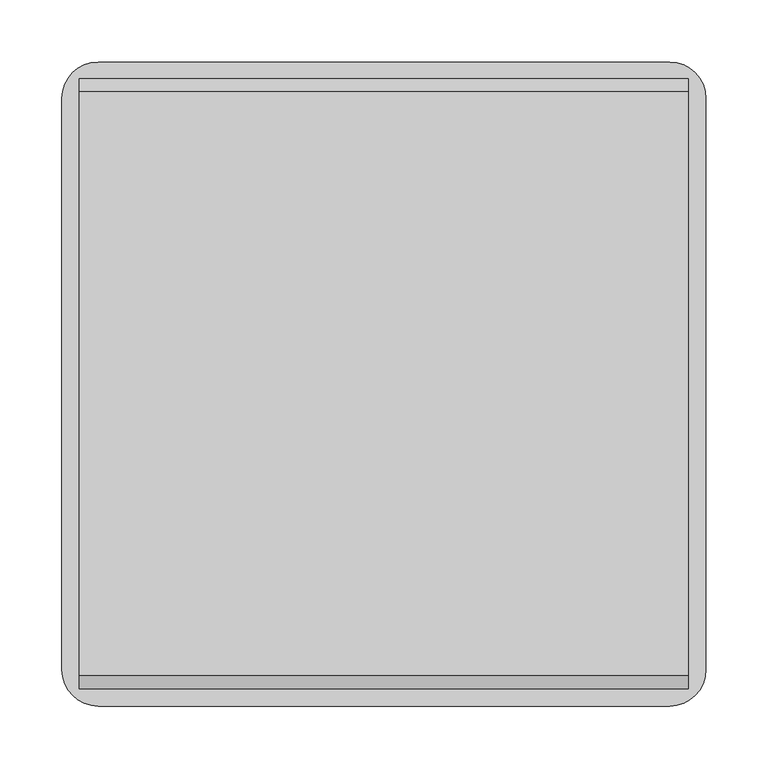
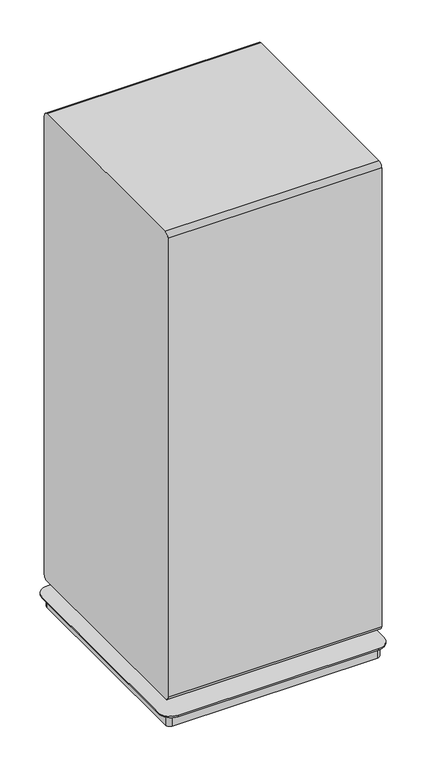
"""IFC4 building model written with IfcOpenShell, lengths in millimetres: furniture geometry."""

from ifc_helpers import new_model, si_unit, point, frame, frame_2d, origin, place, context, project, spatial, polyline, circle_curve, trimmed, segment, composite_curve, outline, extrude, source, transform, mapped, element, save
from ifc_brep_helpers import plane_surface, cylinder_surface, advanced_brep


def furniture_d5c56f62(model_context):
    return source(origin(), model_context, "Body", "SolidModel", [
        extrude(outline(composite_curve([segment(polyline([(290.6410876, 1189.3723963), (290.6410876, 73.6296543)]), True, "CONTINUOUS"), segment(trimmed(circle_curve(frame_2d((281.0114376, 73.6296543)), 9.62965), [point((290.6410876, 73.6296543))], [point((281.0114376, 64.0000043))], False, "CARTESIAN"), True, "CONTINUOUS"), segment(polyline([(281.0114376, 64.0000043), (-192.1114376, 64.0000043)]), True, "CONTINUOUS"), segment(trimmed(circle_curve(frame_2d((-192.1114376, 73.6296543)), 9.62965), [point((-192.1114376, 64.0000043))], [point((-201.7410876, 73.6296543))], False, "CARTESIAN"), True, "CONTINUOUS"), segment(polyline([(-201.7410876, 73.6296543), (-201.7410876, 1189.3723963)]), True, "CONTINUOUS"), segment(trimmed(circle_curve(frame_2d((-191.2611401, 1189.3723963)), 10.4799474), [point((-201.7410876, 1189.3723963))], [point((-191.2611401, 1199.8523437))], False, "CARTESIAN"), True, "CONTINUOUS"), segment(polyline([(-191.2611401, 1199.8523437), (280.1611401, 1199.8523437)]), True, "CONTINUOUS"), segment(trimmed(circle_curve(frame_2d((280.1611401, 1189.3723963)), 10.4799474), [point((280.1611401, 1199.8523437))], [point((290.6410876, 1189.3723963))], False, "CARTESIAN"), True, "CONTINUOUS")], self_intersect=False)), frame((574.621703, 0.0, 0.0), z_axis=(1.0, 0.0, 0.0), x_axis=(0.0, 1.0, 0.0)), (0.0, 0.0, 1.0), 491.9054206),
        advanced_brep(
        [(1051.3572258, 304.403125, 33.0000002), (589.7738875, 304.403125, 33.0000002), (560.6212883, 275.2505257, 33.0000002), (560.6212883, -186.3328125, 33.0000002), (589.7916008, -215.503125, 33.0000002), (1051.3572258, -215.503125, 33.0000002), (1080.5275383, -186.3328125, 33.0000002), (1080.5275383, 275.2328125, 33.0000002), (660.5044457, 214.4034084, 33.0000002), (640.5808102, 214.4034084, 33.0000002), (1000.5680164, 214.4034084, 33.0000002), (980.6443808, 214.4034084, 33.0000002), (660.5044457, -125.5034084, 33.0000002), (640.5808102, -125.5034084, 33.0000002), (1000.5680164, -125.5034084, 33.0000002), (980.6443808, -125.5034084, 33.0000002), (1051.3572258, 304.403125, 30.0000016), (1080.5275383, 275.2328125, 30.0000016), (1080.5275383, -186.3328125, 30.0000016), (1051.3572258, -215.503125, 30.0000016), (589.7916008, -215.503125, 30.0000016), (560.6212883, -186.3328125, 30.0000016), (560.6212883, 275.2505257, 30.0000016), (589.7738875, 304.403125, 30.0000016), (584.1152247, 290.4742373, 30.0000016), (574.7886622, 281.1476748, 30.0000016), (574.7886622, -191.8652105, 30.0000016), (584.1152247, -201.191773, 30.0000016), (1057.1281646, -201.191773, 30.0000016), (1066.4547271, -191.8652105, 30.0000016), (1066.4547271, 281.1066599, 30.0000016), (1057.0871496, 290.4742373, 30.0000016), (584.1152247, 290.4742373, 0.0), (1057.0871496, 290.4742373, 0.0), (1066.4547271, 281.1066599, 0.0), (1066.4547271, -191.8652105, 0.0), (1057.1281646, -201.191773, 0.0), (584.1152247, -201.191773, 0.0), (574.7886622, -191.8652105, 0.0), (574.7886622, 281.1476748, 0.0), (640.5808102, 214.4034084, 64.0000043), (660.5044457, 214.4034084, 64.0000043), (980.6443808, 214.4034084, 64.0000043), (1000.5680164, 214.4034084, 64.0000043), (640.5808102, -125.5034084, 64.0000043), (660.5044457, -125.5034084, 64.0000043), (980.6443808, -125.5034084, 64.0000043), (1000.5680164, -125.5034084, 64.0000043)],
        [
            (0, 1),
            (1, 2, circle_curve(frame((589.7738875, 275.2505257, 33.0000002), z_axis=(0.0, 0.0, 1.0), x_axis=(1.0, 0.0, 0.0)), 29.1525993)),
            (2, 3),
            (3, 4, circle_curve(frame((589.7916008, -186.3328125, 33.0000002), z_axis=(0.0, 0.0, 1.0), x_axis=(1.0, 0.0, 0.0)), 29.1703125)),
            (4, 5),
            (5, 6, circle_curve(frame((1051.3572258, -186.3328125, 33.0000002), z_axis=(0.0, 0.0, 1.0), x_axis=(1.0, 0.0, 0.0)), 29.1703125)),
            (6, 7),
            (7, 0, circle_curve(frame((1051.3572258, 275.2328125, 33.0000002), z_axis=(0.0, 0.0, 1.0), x_axis=(1.0, 0.0, 0.0)), 29.1703125)),
            (8, 9, circle_curve(frame((650.5426279, 214.4034084, 33.0000002), z_axis=(0.0, 0.0, -1.0), x_axis=(1.0, 0.0, 0.0)), 9.9618178)),
            (9, 8, circle_curve(frame((650.5426279, 214.4034084, 33.0000002), z_axis=(0.0, 0.0, -1.0), x_axis=(1.0, 0.0, 0.0)), 9.9618178)),
            (10, 11, circle_curve(frame((990.6061986, 214.4034084, 33.0000002), z_axis=(0.0, 0.0, -1.0), x_axis=(1.0, 0.0, 0.0)), 9.9618178)),
            (11, 10, circle_curve(frame((990.6061986, 214.4034084, 33.0000002), z_axis=(0.0, 0.0, -1.0), x_axis=(1.0, 0.0, 0.0)), 9.9618178)),
            (12, 13, circle_curve(frame((650.5426279, -125.5034084, 33.0000002), z_axis=(0.0, 0.0, -1.0), x_axis=(1.0, 0.0, 0.0)), 9.9618178)),
            (13, 12, circle_curve(frame((650.5426279, -125.5034084, 33.0000002), z_axis=(0.0, 0.0, -1.0), x_axis=(1.0, 0.0, 0.0)), 9.9618178)),
            (14, 15, circle_curve(frame((990.6061986, -125.5034084, 33.0000002), z_axis=(0.0, 0.0, -1.0), x_axis=(1.0, 0.0, 0.0)), 9.9618178)),
            (15, 14, circle_curve(frame((990.6061986, -125.5034084, 33.0000002), z_axis=(0.0, 0.0, -1.0), x_axis=(1.0, 0.0, 0.0)), 9.9618178)),
            (16, 17, circle_curve(frame((1051.3572258, 275.2328125, 30.0000016), z_axis=(0.0, 0.0, -1.0), x_axis=(1.0, 0.0, 0.0)), 29.1703125)),
            (17, 18),
            (18, 19, circle_curve(frame((1051.3572258, -186.3328125, 30.0000016), z_axis=(0.0, 0.0, -1.0), x_axis=(1.0, 0.0, 0.0)), 29.1703125)),
            (19, 20),
            (20, 21, circle_curve(frame((589.7916008, -186.3328125, 30.0000016), z_axis=(0.0, 0.0, -1.0), x_axis=(1.0, 0.0, 0.0)), 29.1703125)),
            (21, 22),
            (22, 23, circle_curve(frame((589.7738875, 275.2505257, 30.0000016), z_axis=(0.0, 0.0, -1.0), x_axis=(1.0, 0.0, 0.0)), 29.1525993)),
            (23, 16),
            (24, 25, circle_curve(frame((584.1152247, 281.1476748, 30.0000016), z_axis=(0.0, 0.0, 1.0), x_axis=(1.0, 0.0, 0.0)), 9.3265625)),
            (25, 26),
            (26, 27, circle_curve(frame((584.1152247, -191.8652105, 30.0000016), z_axis=(0.0, 0.0, 1.0), x_axis=(1.0, 0.0, 0.0)), 9.3265625)),
            (27, 28),
            (28, 29, circle_curve(frame((1057.1281646, -191.8652105, 30.0000016), z_axis=(0.0, 0.0, 1.0), x_axis=(1.0, 0.0, 0.0)), 9.3265625)),
            (29, 30),
            (30, 31, circle_curve(frame((1057.0871496, 281.1066599, 30.0000016), z_axis=(0.0, 0.0, 1.0), x_axis=(1.0, 0.0, 0.0)), 9.3675774)),
            (31, 24),
            (32, 33),
            (33, 34, circle_curve(frame((1057.0871496, 281.1066599, 0.0), z_axis=(0.0, 0.0, -1.0), x_axis=(1.0, 0.0, 0.0)), 9.3675774)),
            (34, 35),
            (35, 36, circle_curve(frame((1057.1281646, -191.8652105, 0.0), z_axis=(0.0, 0.0, -1.0), x_axis=(1.0, 0.0, 0.0)), 9.3265625)),
            (36, 37),
            (37, 38, circle_curve(frame((584.1152247, -191.8652105, 0.0), z_axis=(0.0, 0.0, -1.0), x_axis=(1.0, 0.0, 0.0)), 9.3265625)),
            (38, 39),
            (39, 32, circle_curve(frame((584.1152247, 281.1476748, 0.0), z_axis=(0.0, 0.0, -1.0), x_axis=(1.0, 0.0, 0.0)), 9.3265625)),
            (40, 41, circle_curve(frame((650.5426279, 214.4034084, 64.0000043), z_axis=(0.0, 0.0, 1.0), x_axis=(1.0, 0.0, 0.0)), 9.9618178)),
            (41, 40, circle_curve(frame((650.5426279, 214.4034084, 64.0000043), z_axis=(0.0, 0.0, 1.0), x_axis=(1.0, 0.0, 0.0)), 9.9618178)),
            (42, 43, circle_curve(frame((990.6061986, 214.4034084, 64.0000043), z_axis=(0.0, 0.0, 1.0), x_axis=(1.0, 0.0, 0.0)), 9.9618178)),
            (43, 42, circle_curve(frame((990.6061986, 214.4034084, 64.0000043), z_axis=(0.0, 0.0, 1.0), x_axis=(1.0, 0.0, 0.0)), 9.9618178)),
            (44, 45, circle_curve(frame((650.5426279, -125.5034084, 64.0000043), z_axis=(0.0, 0.0, 1.0), x_axis=(1.0, 0.0, 0.0)), 9.9618178)),
            (45, 44, circle_curve(frame((650.5426279, -125.5034084, 64.0000043), z_axis=(0.0, 0.0, 1.0), x_axis=(1.0, 0.0, 0.0)), 9.9618178)),
            (46, 47, circle_curve(frame((990.6061986, -125.5034084, 64.0000043), z_axis=(0.0, 0.0, 1.0), x_axis=(1.0, 0.0, 0.0)), 9.9618178)),
            (47, 46, circle_curve(frame((990.6061986, -125.5034084, 64.0000043), z_axis=(0.0, 0.0, 1.0), x_axis=(1.0, 0.0, 0.0)), 9.9618178)),
            (0, 16),
            (23, 1),
            (22, 2),
            (21, 3),
            (20, 4),
            (19, 5),
            (18, 6),
            (17, 7),
            (39, 25),
            (24, 32),
            (38, 26),
            (37, 27),
            (36, 28),
            (35, 29),
            (34, 30),
            (33, 31),
            (40, 9),
            (8, 41),
            (42, 11),
            (10, 43),
            (44, 13),
            (12, 45),
            (46, 15),
            (14, 47),
        ],
        [
            plane_surface(frame((-535.8236186, 304.403125, 33.0000002), z_axis=(0.0, 0.0, 1.0), x_axis=(-1.0, 0.0, 0.0))),
            plane_surface(frame((-535.8236186, 304.403125, 30.0000016), z_axis=(0.0, 0.0, -1.0), x_axis=(1.0, 0.0, 0.0))),
            plane_surface(frame((593.4417872, 281.1476748, 0.0), z_axis=(0.0, 0.0, -1.0), x_axis=(0.0, -1.0, 0.0))),
            plane_surface(frame((660.5044457, 214.4034084, 64.0000043), z_axis=(0.0, 0.0, 1.0), x_axis=(0.0, 1.0, 0.0))),
            plane_surface(frame((1051.3572258, 304.403125, 33.0000002), z_axis=(0.0, 1.0, 0.0), x_axis=(0.0, 0.0, -1.0))),
            cylinder_surface(frame((589.7738875, 275.2505257, 30.0000016), z_axis=(0.0, 0.0, 1.0), x_axis=(1.0, 0.0, 0.0)), 29.1525993),
            plane_surface(frame((560.6212883, 275.2505257, 33.0000002), z_axis=(-1.0, 0.0, 0.0), x_axis=(0.0, 0.0, -1.0))),
            cylinder_surface(frame((589.7916008, -186.3328125, 30.0000016), z_axis=(0.0, 0.0, 1.0), x_axis=(1.0, 0.0, 0.0)), 29.1703125),
            plane_surface(frame((589.7916008, -215.503125, 33.0000002), z_axis=(0.0, -1.0, 0.0), x_axis=(0.0, 0.0, -1.0))),
            cylinder_surface(frame((1051.3572258, -186.3328125, 30.0000016), z_axis=(0.0, 0.0, 1.0), x_axis=(1.0, 0.0, 0.0)), 29.1703125),
            plane_surface(frame((1080.5275383, -186.3328125, 33.0000002), z_axis=(1.0, 0.0, 0.0), x_axis=(0.0, 0.0, -1.0))),
            cylinder_surface(frame((1051.3572258, 275.2328125, 30.0000016), z_axis=(0.0, 0.0, 1.0), x_axis=(1.0, 0.0, 0.0)), 29.1703125),
            cylinder_surface(frame((584.1152247, 281.1476748, 0.0), z_axis=(0.0, 0.0, 1.0), x_axis=(1.0, 0.0, 0.0)), 9.3265625),
            plane_surface(frame((574.7886622, 281.1476748, 30.0000016), z_axis=(-1.0, 0.0, 0.0), x_axis=(0.0, 0.0, -1.0))),
            cylinder_surface(frame((584.1152247, -191.8652105, 0.0), z_axis=(0.0, 0.0, 1.0), x_axis=(1.0, 0.0, 0.0)), 9.3265625),
            plane_surface(frame((584.1152247, -201.191773, 30.0000016), z_axis=(0.0, -1.0, 0.0), x_axis=(0.0, 0.0, -1.0))),
            cylinder_surface(frame((1057.1281646, -191.8652105, 0.0), z_axis=(0.0, 0.0, 1.0), x_axis=(1.0, 0.0, 0.0)), 9.3265625),
            plane_surface(frame((1066.4547271, -191.8652105, 30.0000016), z_axis=(1.0, 0.0, 0.0), x_axis=(0.0, 0.0, -1.0))),
            cylinder_surface(frame((1057.0871496, 281.1066599, 0.0), z_axis=(0.0, 0.0, 1.0), x_axis=(1.0, 0.0, 0.0)), 9.3675774),
            plane_surface(frame((1057.0871496, 290.4742373, 30.0000016), z_axis=(0.0, 1.0, 0.0), x_axis=(0.0, 0.0, -1.0))),
            cylinder_surface(frame((650.5426279, 214.4034084, 33.0000002), z_axis=(0.0, 0.0, 1.0), x_axis=(1.0, 0.0, 0.0)), 9.9618178),
            cylinder_surface(frame((990.6061986, 214.4034084, 0.0), z_axis=(0.0, 0.0, 1.0), x_axis=(1.0, 0.0, 0.0)), 9.9618178),
            cylinder_surface(frame((650.5426279, -125.5034084, 0.0), z_axis=(0.0, 0.0, 1.0), x_axis=(1.0, 0.0, 0.0)), 9.9618178),
            cylinder_surface(frame((990.6061986, -125.5034084, 0.0), z_axis=(0.0, 0.0, 1.0), x_axis=(1.0, 0.0, 0.0)), 9.9618178),
        ],
        [
            (0, [[1, 2, 3, 4, 5, 6, 7, 8], [9, 10], [11, 12], [13, 14], [15, 16]]),
            (1, [[17, 18, 19, 20, 21, 22, 23, 24], [25, 26, 27, 28, 29, 30, 31, 32]]),
            (2, [[33, 34, 35, 36, 37, 38, 39, 40]]),
            (3, [[41, 42]]),
            (3, [[43, 44]]),
            (3, [[45, 46]]),
            (3, [[47, 48]]),
            (4, [[-1, 49, -24, 50]]),
            (5, [[-2, -50, -23, 51]]),
            (6, [[-3, -51, -22, 52]]),
            (7, [[-4, -52, -21, 53]]),
            (8, [[-5, -53, -20, 54]]),
            (9, [[-6, -54, -19, 55]]),
            (10, [[-7, -55, -18, 56]]),
            (11, [[-8, -56, -17, -49]]),
            (12, [[-40, 57, -25, 58]]),
            (13, [[-39, 59, -26, -57]]),
            (14, [[-38, 60, -27, -59]]),
            (15, [[-37, 61, -28, -60]]),
            (16, [[-36, 62, -29, -61]]),
            (17, [[-35, 63, -30, -62]]),
            (18, [[-34, 64, -31, -63]]),
            (19, [[-33, -58, -32, -64]]),
            (20, [[-41, 65, -9, 66]]),
            (20, [[-42, -66, -10, -65]]),
            (21, [[-43, 67, -11, 68]]),
            (21, [[-44, -68, -12, -67]]),
            (22, [[-45, 69, -13, 70]]),
            (22, [[-46, -70, -14, -69]]),
            (23, [[-47, 71, -15, 72]]),
            (23, [[-48, -72, -16, -71]]),
        ],
    ),
    ])


if __name__ == "__main__":
    model = new_model("IFC4")
    model_context = context("Model", 3, world=origin())
    ifc_project = project(units=[si_unit("LENGTHUNIT", "METRE", prefix="MILLI")], contexts=[model_context])
    site = spatial("IfcSite", under=ifc_project)
    building = spatial("IfcBuilding", under=site)
    placement = place(None, origin())
    furniture_shape = furniture_d5c56f62(model_context)
    element("IfcFurniture", 1, at=placement, inside=building, context=model_context, shape_type="MappedRepresentation", body=[
        mapped(furniture_shape, transform((0.0, 0.0, 0.0), x_axis=(1.0, 0.0, 0.0), y_axis=(0.0, 1.0, 0.0), z_axis=(0.0, 0.0, 1.0))),
    ])
    save(model, "model.ifc")
